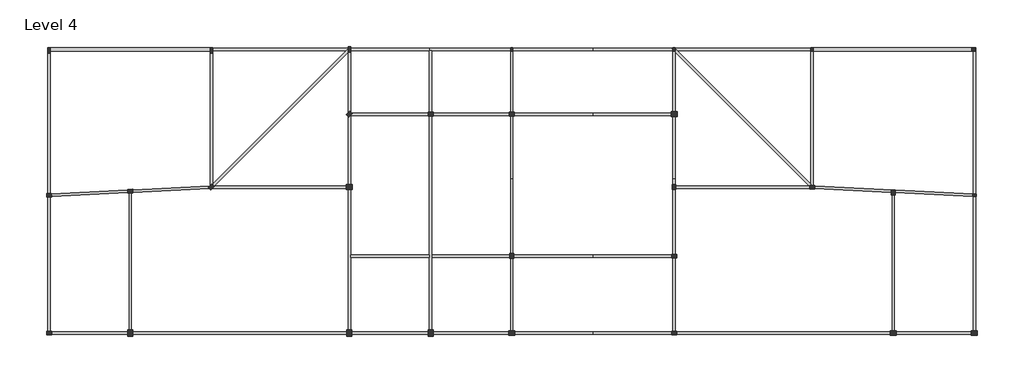
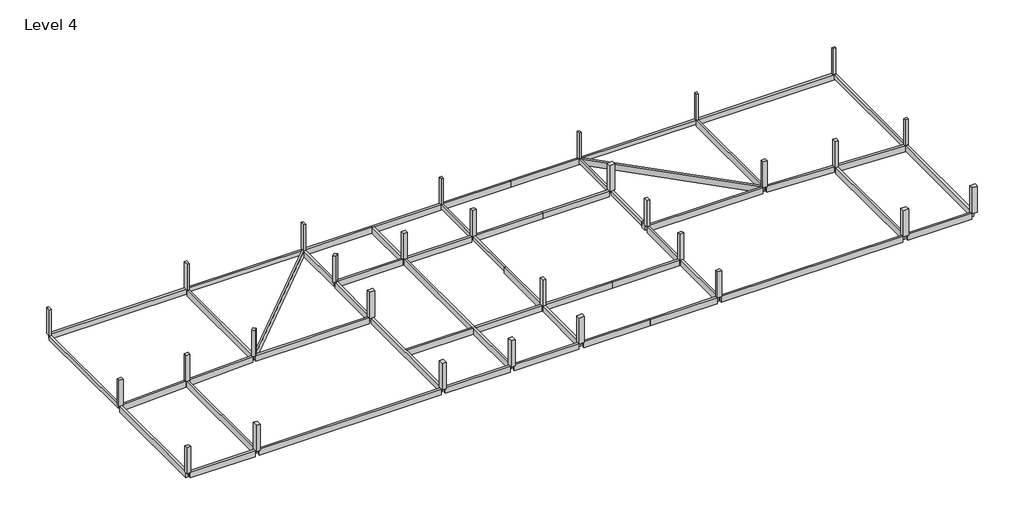
# One storey: 42 beams, 29 columns.
"""IFC4 building model written with IfcOpenShell, lengths in millimetres."""

from ifc_helpers import new_model, si_unit, frame, origin, place, context, project, spatial, polyline, outline, extrude, faceted_brep, element, save

model = new_model("IFC4")

# Units and contexts
model_context = context("Model", 3, world=origin())
ifc_project = project(units=[si_unit("LENGTHUNIT", "METRE", prefix="MILLI")], contexts=[model_context])

# Site, building, storey
site = spatial("IfcSite", under=ifc_project)
building = spatial("IfcBuilding", under=site)
storey = spatial("IfcBuildingStorey", under=building, Name="Level 4", Elevation=10000.0)

# Beams
placement = place(None, origin())
element("IfcBeam", 1, ObjectType="M_Concrete-Rectangular Beam : 300 x 600mm", at=placement, inside=storey, context=model_context, shape_type="SweptSolid", body=[
    extrude(outline(polyline([(-15472.6221164, 9458.1174774), (-15172.6221164, 9458.1174774), (-15172.6221164, -7809.1014481), (-15472.6221164, -7824.1014481), (-15472.6221164, 9458.1174774)])), frame((0.0, 0.0, 9400.0), z_axis=(0.0, 0.0, 1.0), x_axis=(1.0, 0.0, 0.0)), (0.0, 0.0, 1.0), 600.0),
])
element("IfcBeam", 2, ObjectType="M_Concrete-Rectangular Beam : 300 x 600mm", at=placement, inside=storey, context=model_context, shape_type="SweptSolid", body=[
    extrude(outline(polyline([(4827.3778836, 9808.1174774), (4827.3778836, 10108.1174774), (21527.3778836, 10108.1174774), (21527.3778836, 10020.2495118), (21315.2458493, 9808.1174774), (4827.3778836, 9808.1174774)])), frame((0.0, 0.0, 9400.0), z_axis=(0.0, 0.0, 1.0), x_axis=(1.0, 0.0, 0.0)), (0.0, 0.0, 1.0), 600.0),
])
element("IfcBeam", 3, ObjectType="M_Concrete-Rectangular Beam : 300 x 600mm", at=placement, inside=storey, context=model_context, shape_type="SweptSolid", body=[
    extrude(outline(polyline([(41827.3778836, -6041.8825226), (41527.3778836, -6041.8825226), (41527.3778836, 1733.1174774), (41827.3778836, 1733.1174774), (41827.3778836, -6041.8825226)])), frame((0.0, 0.0, 9400.0), z_axis=(0.0, 0.0, 1.0), x_axis=(1.0, 0.0, 0.0)), (0.0, 0.0, 1.0), 600.0),
    extrude(outline(polyline([(41527.3778836, 9733.1174774), (41827.3778836, 9733.1174774), (41827.3778836, 2183.1174774), (41527.3778836, 2183.1174774), (41527.3778836, 9733.1174774)])), frame((0.0, 0.0, 9400.0), z_axis=(0.0, 0.0, 1.0), x_axis=(1.0, 0.0, 0.0)), (0.0, 0.0, 1.0), 600.0),
])
element("IfcBeam", 4, ObjectType="M_Concrete-Rectangular Beam : 300 x 600mm", at=placement, inside=storey, context=model_context, shape_type="SweptSolid", body=[
    extrude(outline(polyline([(98527.3778836, 9758.1174774), (98827.3778836, 9758.1174774), (98827.3778836, -7891.8825226), (98681.1255428, -7891.8825226), (98527.3778836, -7884.1951396), (98527.3778836, 9758.1174774)])), frame((0.0, 0.0, 9400.0), z_axis=(0.0, 0.0, 1.0), x_axis=(1.0, 0.0, 0.0)), (0.0, 0.0, 1.0), 600.0),
])
element("IfcBeam", 5, ObjectType="M_Concrete-Rectangular Beam : 300 x 600mm", at=placement, inside=storey, context=model_context, shape_type="SweptSolid", body=[
    extrude(outline(polyline([(78527.3778836, 10108.1174774), (78527.3778836, 9808.1174774), (62039.509918, 9808.1174774), (61827.3778836, 10020.2495118), (61827.3778836, 10108.1174774), (78527.3778836, 10108.1174774)])), frame((0.0, 0.0, 9400.0), z_axis=(0.0, 0.0, 1.0), x_axis=(1.0, 0.0, 0.0)), (0.0, 0.0, 1.0), 600.0),
])
element("IfcBeam", 6, ObjectType="M_Concrete-Rectangular Beam : 300 x 600mm", at=placement, inside=storey, context=model_context, shape_type="SweptSolid", body=[
    extrude(outline(polyline([(61827.3778836, -6041.8825226), (61527.3778836, -6041.8825226), (61527.3778836, 1658.1174774), (61827.3778836, 1658.1174774), (61827.3778836, -6041.8825226)])), frame((0.0, 0.0, 9400.0), z_axis=(0.0, 0.0, 1.0), x_axis=(1.0, 0.0, 0.0)), (0.0, 0.0, 1.0), 600.0),
    extrude(outline(polyline([(61690.2458493, 9733.1174774), (61827.3778836, 9595.9854431), (61827.3778836, 2258.1174774), (61527.3778836, 2258.1174774), (61527.3778836, 9733.1174774), (61690.2458493, 9733.1174774)])), frame((0.0, 0.0, 9400.0), z_axis=(0.0, 0.0, 1.0), x_axis=(1.0, 0.0, 0.0)), (0.0, 0.0, 1.0), 600.0),
])
element("IfcBeam", 7, ObjectType="M_Concrete-Rectangular Beam : 300 x 900mm", at=placement, inside=storey, context=model_context, shape_type="Brep", body=[
    faceted_brep([(4827.3778836, 9458.1174774, 10000.0), (4527.3778836, 9458.1174774, 10000.0), (4527.3778836, -6873.684471, 10000.0), (4730.4108922, -6670.6514625, 10000.0), (4827.3778836, -6767.6184539, 10000.0), (4827.3778836, -6679.7504882, 10000.0), (4527.3778836, 9458.1174774, 9100.0), (4527.3778836, -6873.684471, 9100.0), (4827.3778836, 9458.1174774, 9100.0), (4827.3778836, -6679.7504882, 9100.0), (4827.3778836, -6767.6184539, 9100.0), (4730.4108922, -6670.6514625, 9100.0)], [[[0, 1, 2, 3, 4, 5]], [[1, 6, 7, 2]], [[6, 8, 9, 10, 11, 7]], [[8, 0, 5, 4, 10, 9]], [[1, 0, 8, 6]], [[11, 3, 2, 7]], [[3, 11, 10, 4]]]),
])
element("IfcBeam", 8, ObjectType="M_Concrete-Rectangular Beam : 300 x 900mm", at=placement, inside=storey, context=model_context, shape_type="Brep", body=[
    faceted_brep([(21527.3778836, 10020.2495118, 10000.0), (21315.2458493, 9808.1174774, 10000.0), (4827.3778836, -6679.7504882, 10000.0), (4827.3778836, -6767.6184539, 10000.0), (4995.5759351, -6935.8165054, 10000.0), (5039.509918, -6891.8825226, 10000.0), (21527.3778836, 9595.9854431, 10000.0), (21539.509918, 9608.1174774, 10000.0), (21527.3778836, 9608.1174774, 10000.0), (21539.509918, 9608.1174774, 9100.0), (4995.5759351, -6935.8165054, 9100.0), (5039.509918, -6891.8825226, 9100.0), (21527.3778836, 9595.9854431, 9100.0), (4827.3778836, -6679.7504882, 9100.0), (21527.3778836, 10020.2495118, 9100.0), (21527.3778836, 9608.1174774, 9100.0), (4827.3778836, -6767.6184539, 9100.0), (21527.3778836, 10020.2495118, 9400.0)], [[[0, 1, 2, 3, 4, 5, 6, 7, 8]], [[9, 7, 6, 5, 4, 10, 11, 12]], [[13, 14, 15, 9, 12, 11, 10, 16]], [[13, 2, 1, 0, 17, 14]], [[2, 13, 16, 3]], [[15, 8, 7, 9]], [[8, 15, 14, 17, 0]], [[4, 3, 16, 10]]]),
])
element("IfcBeam", 9, ObjectType="M_Concrete-Rectangular Beam : 300 x 900mm", at=placement, inside=storey, context=model_context, shape_type="SweptSolid", body=[
    extrude(outline(polyline([(4306.1468235, -7094.9155312), (4416.3524686, -7205.1211763), (-5015.5057722, -7676.7140883), (-5030.4870573, -7377.0883867), (4500.5245483, -6900.5378064), (4306.1468235, -7094.9155312)])), frame((0.0, 0.0, 9100.0), z_axis=(0.0, 0.0, 1.0), x_axis=(1.0, 0.0, 0.0)), (0.0, 0.0, 1.0), 900.0),
    extrude(outline(polyline([(-5629.7384606, -7407.0509568), (-5614.7571755, -7706.6766585), (-15015.5057722, -8176.7140883), (-15030.4870573, -7877.0883867), (-5629.7384606, -7407.0509568)])), frame((0.0, 0.0, 9100.0), z_axis=(0.0, 0.0, 1.0), x_axis=(1.0, 0.0, 0.0)), (0.0, 0.0, 1.0), 900.0),
])
element("IfcBeam", 10, ObjectType="M_Concrete-Rectangular Beam : 300 x 900mm", at=placement, inside=storey, context=model_context, shape_type="SweptSolid", body=[
    extrude(outline(polyline([(-15472.6221164, -8274.663597), (-15172.6221164, -8259.663597), (-15172.6221164, -24816.8825226), (-15472.6221164, -24816.8825226), (-15472.6221164, -8274.663597)])), frame((0.0, 0.0, 9100.0), z_axis=(0.0, 0.0, 1.0), x_axis=(1.0, 0.0, 0.0)), (0.0, 0.0, 1.0), 900.0),
])
element("IfcBeam", 11, ObjectType="M_Concrete-Rectangular Beam : 300 x 900mm", at=placement, inside=storey, context=model_context, shape_type="SweptSolid", body=[
    extrude(outline(polyline([(-5022.6221164, -25191.8825226), (-5022.6221164, -24891.8825226), (21377.3778836, -24891.8825226), (21377.3778836, -25191.8825226), (-5022.6221164, -25191.8825226)])), frame((0.0, 0.0, 9100.0), z_axis=(0.0, 0.0, 1.0), x_axis=(1.0, 0.0, 0.0)), (0.0, 0.0, 1.0), 900.0),
    extrude(outline(polyline([(-15022.6221164, -25191.8825226), (-15022.6221164, -24891.8825226), (-5622.6221164, -24891.8825226), (-5622.6221164, -25191.8825226), (-15022.6221164, -25191.8825226)])), frame((0.0, 0.0, 9100.0), z_axis=(0.0, 0.0, 1.0), x_axis=(1.0, 0.0, 0.0)), (0.0, 0.0, 1.0), 900.0),
])
element("IfcBeam", 12, ObjectType="M_Concrete-Rectangular Beam : 300 x 900mm", at=placement, inside=storey, context=model_context, shape_type="Brep", body=[
    faceted_brep([(21527.3778836, -24666.8825226, 10000.0), (21827.3778836, -24666.8825226, 10000.0), (21827.3778836, -15691.8825226, 10000.0), (21827.3778836, -15391.8825226, 10000.0), (21827.3778836, -7341.8825226, 10000.0), (21527.3778836, -7341.8825226, 10000.0), (21527.3778836, -24666.8825226, 9100.0), (21527.3778836, -7341.8825226, 9100.0), (21827.3778836, -24666.8825226, 9100.0), (21827.3778836, -7341.8825226, 9100.0), (21827.3778836, -15391.8825226, 9100.0), (21827.3778836, -15691.8825226, 9100.0)], [[[0, 1, 2, 3, 4, 5]], [[6, 0, 5, 7]], [[8, 6, 7, 9, 10, 11]], [[1, 8, 11, 10, 9, 4, 3, 2]], [[1, 0, 6, 8]], [[5, 4, 9, 7]]]),
    faceted_brep([(21527.3778836, 9595.9854431, 9100.0), (21527.3778836, 9595.9854431, 10000.0), (21539.509918, 9608.1174774, 10000.0), (21539.509918, 9608.1174774, 9100.0), (21827.3778836, 9608.1174774, 10000.0), (21827.3778836, 9608.1174774, 9100.0), (21730.4108922, 2329.3485375, 9100.0), (21730.4108922, 2329.3485375, 10000.0), (21527.3778836, 2126.315529, 10000.0), (21527.3778836, 2126.315529, 9100.0), (21827.3778836, 2232.3815461, 9100.0), (21827.3778836, 2232.3815461, 10000.0)], [[[0, 1, 2, 3]], [[2, 4, 5, 3]], [[6, 7, 8, 9]], [[7, 6, 10, 11]], [[2, 1, 8, 7, 11, 4]], [[1, 0, 9, 8]], [[0, 3, 5, 10, 6, 9]], [[5, 4, 11, 10]]]),
    faceted_brep([(21624.344875, 1586.8864173, 9100.0), (21624.344875, 1586.8864173, 10000.0), (21827.3778836, 1789.9194259, 10000.0), (21827.3778836, 1789.9194259, 9100.0), (21527.3778836, 1683.8534087, 9100.0), (21527.3778836, 1683.8534087, 10000.0), (21827.3778836, -6741.8825226, 10000.0), (21527.3778836, -6741.8825226, 10000.0), (21527.3778836, -6741.8825226, 9100.0), (21827.3778836, -6741.8825226, 9100.0)], [[[0, 1, 2, 3]], [[1, 0, 4, 5]], [[6, 7, 8, 9]], [[2, 1, 5, 7, 6]], [[5, 4, 8, 7]], [[0, 3, 9, 8, 4]], [[3, 2, 6, 9]]]),
])
element("IfcBeam", 13, ObjectType="M_Concrete-Rectangular Beam : 300 x 900mm", at=placement, inside=storey, context=model_context, shape_type="SweptSolid", body=[
    extrude(outline(polyline([(-5472.6221164, -7774.663597), (-5172.6221164, -7759.663597), (-5172.6221164, -24666.8825226), (-5472.6221164, -24666.8825226), (-5472.6221164, -7774.663597)])), frame((0.0, 0.0, 9100.0), z_axis=(0.0, 0.0, 1.0), x_axis=(1.0, 0.0, 0.0)), (0.0, 0.0, 1.0), 900.0),
])
element("IfcBeam", 14, ObjectType="M_Concrete-Rectangular Beam : 300 x 900mm", at=placement, inside=storey, context=model_context, shape_type="SweptSolid", body=[
    extrude(outline(polyline([(4995.5759351, -6935.8165054), (5039.509918, -6891.8825226), (21302.3778836, -6891.8825226), (21302.3778836, -7191.8825226), (4845.5759351, -7191.8825226), (5048.6089437, -6988.849514), (4995.5759351, -6935.8165054)])), frame((0.0, 0.0, 9100.0), z_axis=(0.0, 0.0, 1.0), x_axis=(1.0, 0.0, 0.0)), (0.0, 0.0, 1.0), 900.0),
])
element("IfcBeam", 15, ObjectType="M_Concrete-Rectangular Beam : 300 x 900mm", at=placement, inside=storey, context=model_context, shape_type="Brep", body=[
    faceted_brep([(31527.3778836, 10108.1174774, 10000.0), (31527.3778836, 9808.1174774, 10000.0), (31827.3778836, 9808.1174774, 10000.0), (41527.3778836, 9808.1174774, 10000.0), (41527.3778836, 10108.1174774, 10000.0), (31527.3778836, 9808.1174774, 9100.0), (31827.3778836, 9808.1174774, 9100.0), (41527.3778836, 9808.1174774, 9100.0), (31527.3778836, 10108.1174774, 9100.0), (41527.3778836, 10108.1174774, 9100.0)], [[[0, 1, 2, 3, 4]], [[1, 5, 6, 7, 3, 2]], [[5, 8, 9, 7, 6]], [[8, 0, 4, 9]], [[1, 0, 8, 5]], [[4, 3, 7, 9]]]),
])
element("IfcBeam", 16, ObjectType="M_Concrete-Rectangular Beam : 300 x 900mm", at=placement, inside=storey, context=model_context, shape_type="Brep", body=[
    faceted_brep([(41827.3778836, -15841.8825226, 10000.0), (41527.3778836, -15841.8825226, 10000.0), (41527.3778836, -24741.8825226, 10000.0), (41827.3778836, -24741.8825226, 10000.0), (41827.3778836, -15841.8825226, 9100.0), (41827.3778836, -24741.8825226, 9100.0), (41527.3778836, -15841.8825226, 9100.0), (41527.3778836, -24741.8825226, 9100.0)], [[[0, 1, 2, 3]], [[4, 0, 3, 5]], [[6, 4, 5, 7]], [[1, 6, 7, 2]], [[1, 0, 4, 6]], [[3, 2, 7, 5]]]),
    faceted_brep([(41527.3778836, -6041.8825226, 9100.0), (41527.3778836, -6041.8825226, 9400.0), (41527.3778836, -6041.8825226, 10000.0), (41827.3778836, -6041.8825226, 10000.0), (41827.3778836, -6041.8825226, 9400.0), (41827.3778836, -6041.8825226, 9100.0), (41827.3778836, -15241.8825226, 10000.0), (41527.3778836, -15241.8825226, 10000.0), (41527.3778836, -15241.8825226, 9100.0), (41827.3778836, -15241.8825226, 9100.0)], [[[0, 1, 2, 3, 4, 5]], [[6, 7, 8, 9]], [[3, 2, 7, 6]], [[5, 4, 3, 6, 9]], [[0, 5, 9, 8]], [[2, 1, 0, 8, 7]]]),
])
element("IfcBeam", 17, ObjectType="M_Concrete-Rectangular Beam : 300 x 900mm", at=placement, inside=storey, context=model_context, shape_type="Brep", body=[
    faceted_brep([(31827.3778836, 1733.1174774, 10000.0), (31527.3778836, 1733.1174774, 10000.0), (31527.3778836, -15391.8825226, 10000.0), (31527.3778836, -15691.8825226, 10000.0), (31527.3778836, -24666.8825226, 10000.0), (31827.3778836, -24666.8825226, 10000.0), (31827.3778836, -15691.8825226, 10000.0), (31827.3778836, -15391.8825226, 10000.0), (31827.3778836, 1733.1174774, 9100.0), (31827.3778836, -24666.8825226, 9100.0), (31827.3778836, -15691.8825226, 9100.0), (31827.3778836, -15391.8825226, 9100.0), (31527.3778836, 1733.1174774, 9100.0), (31527.3778836, -24666.8825226, 9100.0), (31527.3778836, -15691.8825226, 9100.0), (31527.3778836, -15391.8825226, 9100.0)], [[[0, 1, 2, 3, 4, 5, 6, 7]], [[8, 0, 7, 6, 5, 9, 10, 11]], [[12, 8, 11, 10, 9, 13, 14, 15]], [[1, 12, 15, 14, 13, 4, 3, 2]], [[1, 0, 8, 12]], [[5, 4, 13, 9]]]),
    faceted_brep([(31527.3778836, 9808.1174774, 10000.0), (31827.3778836, 9808.1174774, 10000.0), (31827.3778836, 9808.1174774, 9100.0), (31527.3778836, 9808.1174774, 9100.0), (31827.3778836, 2183.1174774, 10000.0), (31527.3778836, 2183.1174774, 10000.0), (31527.3778836, 2183.1174774, 9100.0), (31827.3778836, 2183.1174774, 9100.0)], [[[0, 1, 2, 3]], [[4, 5, 6, 7]], [[1, 0, 5, 4]], [[2, 1, 4, 7]], [[3, 2, 7, 6]], [[0, 3, 6, 5]]]),
])
element("IfcBeam", 18, ObjectType="M_Concrete-Rectangular Beam : 300 x 900mm", at=placement, inside=storey, context=model_context, shape_type="SweptSolid", body=[
    extrude(outline(polyline([(31977.3778836, -25191.8825226), (31977.3778836, -24891.8825226), (41302.3778836, -24891.8825226), (41302.3778836, -25191.8825226), (31977.3778836, -25191.8825226)])), frame((0.0, 0.0, 9100.0), z_axis=(0.0, 0.0, 1.0), x_axis=(1.0, 0.0, 0.0)), (0.0, 0.0, 1.0), 900.0),
])
element("IfcBeam", 19, ObjectType="M_Concrete-Rectangular Beam : 300 x 900mm", at=placement, inside=storey, context=model_context, shape_type="SweptSolid", body=[
    extrude(outline(polyline([(31827.3778836, -15691.8825226), (31827.3778836, -15391.8825226), (41452.3778836, -15391.8825226), (41452.3778836, -15691.8825226), (31827.3778836, -15691.8825226)])), frame((0.0, 0.0, 9100.0), z_axis=(0.0, 0.0, 1.0), x_axis=(1.0, 0.0, 0.0)), (0.0, 0.0, 1.0), 900.0),
])
element("IfcBeam", 20, ObjectType="M_Concrete-Rectangular Beam : 300 x 900mm", at=placement, inside=storey, context=model_context, shape_type="SweptSolid", body=[
    extrude(outline(polyline([(41377.3778836, 2108.1174774), (41377.3778836, 1808.1174774), (31977.3778836, 1808.1174774), (31977.3778836, 2108.1174774), (41377.3778836, 2108.1174774)])), frame((0.0, 0.0, 9100.0), z_axis=(0.0, 0.0, 1.0), x_axis=(1.0, 0.0, 0.0)), (0.0, 0.0, 1.0), 900.0),
])
element("IfcBeam", 21, ObjectType="M_Concrete-Rectangular Beam : 300 x 900mm", at=placement, inside=storey, context=model_context, shape_type="SweptSolid", body=[
    extrude(outline(polyline([(31527.3778836, 10108.1174774), (31527.3778836, 9808.1174774), (21827.3778836, 9808.1174774), (21827.3778836, 10108.1174774), (31527.3778836, 10108.1174774)])), frame((0.0, 0.0, 9100.0), z_axis=(0.0, 0.0, 1.0), x_axis=(1.0, 0.0, 0.0)), (0.0, 0.0, 1.0), 900.0),
])
element("IfcBeam", 22, ObjectType="M_Concrete-Rectangular Beam : 300 x 900mm", at=placement, inside=storey, context=model_context, shape_type="SweptSolid", body=[
    extrude(outline(polyline([(21977.3778836, -25191.8825226), (21977.3778836, -24891.8825226), (31377.3778836, -24891.8825226), (31377.3778836, -25191.8825226), (21977.3778836, -25191.8825226)])), frame((0.0, 0.0, 9100.0), z_axis=(0.0, 0.0, 1.0), x_axis=(1.0, 0.0, 0.0)), (0.0, 0.0, 1.0), 900.0),
])
element("IfcBeam", 23, ObjectType="M_Concrete-Rectangular Beam : 300 x 900mm", at=placement, inside=storey, context=model_context, shape_type="SweptSolid", body=[
    extrude(outline(polyline([(31527.3778836, -15391.8825226), (31527.3778836, -15691.8825226), (21827.3778836, -15691.8825226), (21827.3778836, -15391.8825226), (31527.3778836, -15391.8825226)])), frame((0.0, 0.0, 9100.0), z_axis=(0.0, 0.0, 1.0), x_axis=(1.0, 0.0, 0.0)), (0.0, 0.0, 1.0), 900.0),
])
element("IfcBeam", 24, ObjectType="M_Concrete-Rectangular Beam : 300 x 900mm", at=placement, inside=storey, context=model_context, shape_type="SweptSolid", body=[
    extrude(outline(polyline([(31377.3778836, 2108.1174774), (31377.3778836, 1808.1174774), (21845.5759351, 1808.1174774), (22048.6089437, 2011.150486), (21951.6419523, 2108.1174774), (31377.3778836, 2108.1174774)])), frame((0.0, 0.0, 9100.0), z_axis=(0.0, 0.0, 1.0), x_axis=(1.0, 0.0, 0.0)), (0.0, 0.0, 1.0), 900.0),
])
element("IfcBeam", 25, ObjectType="M_Concrete-Rectangular Beam : 300 x 900mm", at=placement, inside=storey, context=model_context, shape_type="Brep", body=[
    faceted_brep([(78827.3778836, 9733.1174774, 10000.0), (78527.3778836, 9733.1174774, 10000.0), (78527.3778836, -6679.7504882, 10000.0), (78527.3778836, -6816.8825226, 10000.0), (78827.3778836, -6816.8825226, 10000.0), (78827.3778836, 9733.1174774, 9100.0), (78827.3778836, -6816.8825226, 9100.0), (78527.3778836, 9733.1174774, 9100.0), (78527.3778836, -6816.8825226, 9100.0), (78527.3778836, -6679.7504882, 9100.0)], [[[0, 1, 2, 3, 4]], [[5, 0, 4, 6]], [[7, 5, 6, 8, 9]], [[1, 7, 9, 8, 3, 2]], [[1, 0, 5, 7]], [[4, 3, 8, 6]]]),
])
element("IfcBeam", 26, ObjectType="M_Concrete-Rectangular Beam : 300 x 900mm", at=placement, inside=storey, context=model_context, shape_type="Brep", body=[
    faceted_brep([(61527.3778836, 10108.1174774, 10000.0), (61315.2458493, 10108.1174774, 10000.0), (61527.3778836, 9895.9854431, 10000.0), (61315.2458493, 10108.1174774, 9100.0), (61527.3778836, 9895.9854431, 9100.0), (61527.3778836, 10108.1174774, 9100.0)], [[[0, 1, 2]], [[1, 3, 4, 2]], [[3, 5, 4]], [[3, 1, 0, 5]], [[0, 2, 4, 5]]]),
    faceted_brep([(78527.3778836, -6679.7504882, 10000.0), (78527.3778836, -6679.7504882, 9100.0), (61827.3778836, 10020.2495118, 9100.0), (61827.3778836, 10020.2495118, 9400.0), (61827.3778836, 10020.2495118, 10000.0), (62039.509918, 9808.1174774, 10000.0), (78527.3778836, -6816.8825226, 10000.0), (78527.3778836, -6816.8825226, 9100.0), (61827.3778836, 9733.1174774, 9100.0), (61827.3778836, 9733.1174774, 10000.0), (61690.2458493, 9733.1174774, 9100.0), (61690.2458493, 9733.1174774, 9400.0), (61690.2458493, 9733.1174774, 10000.0), (61827.3778836, 9595.9854431, 10000.0), (78315.2458493, -6891.8825226, 10000.0), (78377.3778836, -6954.0145569, 10000.0), (78377.3778836, -6816.8825226, 10000.0), (78315.2458493, -6891.8825226, 9100.0), (78377.3778836, -6954.0145569, 9100.0), (78377.3778836, -6816.8825226, 9100.0)], [[[0, 1, 2, 3, 4, 5]], [[1, 0, 6, 7]], [[8, 9, 4, 3, 2]], [[9, 8, 10, 11, 12]], [[0, 5, 4, 9, 12, 13, 14, 15, 16, 6]], [[12, 11, 10, 17, 18, 15, 14, 13]], [[2, 1, 7, 19, 18, 17, 10, 8]], [[16, 19, 7, 6]], [[19, 16, 15, 18]]]),
])
element("IfcBeam", 27, ObjectType="M_Concrete-Rectangular Beam : 300 x 900mm", at=placement, inside=storey, context=model_context, shape_type="Brep", body=[
    faceted_brep([(88452.3778836, -7680.8199055, 10000.0), (88452.3778836, -7392.0699055, 10000.0), (88684.873202, -7392.0699055, 10000.0), (78977.3778836, -6906.6951396, 10000.0), (78977.3778836, -7207.0699055, 10000.0), (88452.3778836, -7680.8199055, 9100.0), (78977.3778836, -7207.0699055, 9100.0), (88452.3778836, -7392.0699055, 9100.0), (78977.3778836, -6906.6951396, 9100.0), (88684.873202, -7392.0699055, 9100.0)], [[[0, 1, 2, 3, 4]], [[5, 0, 4, 6]], [[7, 5, 6, 8, 9]], [[2, 9, 8, 3]], [[7, 1, 0, 5]], [[1, 7, 9, 2]], [[4, 3, 8, 6]]]),
    faceted_brep([(98827.3778836, -8199.5699055, 10000.0), (98827.3778836, -8199.5699055, 9100.0), (98827.3778836, -8191.8825226, 9100.0), (98827.3778836, -8191.8825226, 10000.0), (98673.6302244, -8191.8825226, 10000.0), (98673.6302244, -8191.8825226, 9100.0)], [[[0, 1, 2, 3]], [[4, 3, 2, 5]], [[0, 3, 4]], [[1, 0, 4, 5]], [[2, 1, 5]]]),
    faceted_brep([(98452.3778836, -7891.8825226, 10000.0), (98452.3778836, -7891.8825226, 9100.0), (98681.1255428, -7891.8825226, 9100.0), (98681.1255428, -7891.8825226, 9400.0), (98681.1255428, -7891.8825226, 10000.0), (98452.3778836, -8180.8199055, 10000.0), (98452.3778836, -8180.8199055, 9100.0), (88902.3778836, -7703.3199055, 10000.0), (88902.3778836, -7402.9451396, 10000.0), (88902.3778836, -7402.9451396, 9100.0), (88902.3778836, -7703.3199055, 9100.0), (98527.3778836, -7884.1951396, 10000.0)], [[[0, 1, 2, 3, 4]], [[1, 0, 5, 6]], [[7, 8, 9, 10]], [[0, 4, 11, 8, 7, 5]], [[6, 5, 7, 10]], [[2, 1, 6, 10, 9]], [[4, 3, 2, 9, 8, 11]]]),
])
element("IfcBeam", 28, ObjectType="M_Concrete-Rectangular Beam : 300 x 900mm", at=placement, inside=storey, context=model_context, shape_type="SweptSolid", body=[
    extrude(outline(polyline([(98673.6302244, -8191.8825226), (98827.3778836, -8199.5699055), (98827.3778836, -24741.8825226), (98527.3778836, -24741.8825226), (98527.3778836, -8191.8825226), (98673.6302244, -8191.8825226)])), frame((0.0, 0.0, 9100.0), z_axis=(0.0, 0.0, 1.0), x_axis=(1.0, 0.0, 0.0)), (0.0, 0.0, 1.0), 900.0),
])
element("IfcBeam", 29, ObjectType="M_Concrete-Rectangular Beam : 300 x 900mm", at=placement, inside=storey, context=model_context, shape_type="SweptSolid", body=[
    extrude(outline(polyline([(61977.3778836, -25191.8825226), (61977.3778836, -24891.8825226), (88302.3778836, -24891.8825226), (88302.3778836, -25191.8825226), (61977.3778836, -25191.8825226)])), frame((0.0, 0.0, 9100.0), z_axis=(0.0, 0.0, 1.0), x_axis=(1.0, 0.0, 0.0)), (0.0, 0.0, 1.0), 900.0),
    extrude(outline(polyline([(89052.3778836, -25191.8825226), (89052.3778836, -24891.8825226), (98302.3778836, -24891.8825226), (98302.3778836, -25191.8825226), (89052.3778836, -25191.8825226)])), frame((0.0, 0.0, 9100.0), z_axis=(0.0, 0.0, 1.0), x_axis=(1.0, 0.0, 0.0)), (0.0, 0.0, 1.0), 900.0),
])
element("IfcBeam", 30, ObjectType="M_Concrete-Rectangular Beam : 300 x 900mm", at=placement, inside=storey, context=model_context, shape_type="Brep", body=[
    faceted_brep([(61827.3778836, -15766.8825226, 10000.0), (61527.3778836, -15766.8825226, 10000.0), (61527.3778836, -24816.8825226, 10000.0), (61827.3778836, -24816.8825226, 10000.0), (61827.3778836, -15766.8825226, 9100.0), (61827.3778836, -24816.8825226, 9100.0), (61527.3778836, -15766.8825226, 9100.0), (61527.3778836, -24816.8825226, 9100.0)], [[[0, 1, 2, 3]], [[4, 0, 3, 5]], [[6, 4, 5, 7]], [[1, 6, 7, 2]], [[1, 0, 4, 6]], [[3, 2, 7, 5]]]),
    faceted_brep([(61527.3778836, -6041.8825226, 9100.0), (61527.3778836, -6041.8825226, 9400.0), (61527.3778836, -6041.8825226, 10000.0), (61827.3778836, -6041.8825226, 10000.0), (61827.3778836, -6041.8825226, 9400.0), (61827.3778836, -6041.8825226, 9100.0), (61827.3778836, -6741.8825226, 10000.0), (61527.3778836, -6741.8825226, 10000.0), (61527.3778836, -6741.8825226, 9100.0), (61827.3778836, -6741.8825226, 9100.0)], [[[0, 1, 2, 3, 4, 5]], [[6, 7, 8, 9]], [[3, 2, 7, 6]], [[5, 4, 3, 6, 9]], [[0, 5, 9, 8]], [[2, 1, 0, 8, 7]]]),
    faceted_brep([(61527.3778836, -7341.8825226, 10000.0), (61827.3778836, -7341.8825226, 10000.0), (61827.3778836, -7341.8825226, 9100.0), (61527.3778836, -7341.8825226, 9100.0), (61827.3778836, -15316.8825226, 10000.0), (61527.3778836, -15316.8825226, 10000.0), (61527.3778836, -15316.8825226, 9100.0), (61827.3778836, -15316.8825226, 9100.0)], [[[0, 1, 2, 3]], [[4, 5, 6, 7]], [[1, 0, 5, 4]], [[2, 1, 4, 7]], [[3, 2, 7, 6]], [[0, 3, 6, 5]]]),
])
element("IfcBeam", 31, ObjectType="M_Concrete-Rectangular Beam : 300 x 900mm", at=placement, inside=storey, context=model_context, shape_type="SweptSolid", body=[
    extrude(outline(polyline([(88527.3778836, -7992.0699055), (88827.3778836, -7992.0699055), (88827.3778836, -24741.8825226), (88527.3778836, -24741.8825226), (88527.3778836, -7992.0699055)])), frame((0.0, 0.0, 9100.0), z_axis=(0.0, 0.0, 1.0), x_axis=(1.0, 0.0, 0.0)), (0.0, 0.0, 1.0), 900.0),
])
element("IfcBeam", 32, ObjectType="M_Concrete-Rectangular Beam : 300 x 900mm", at=placement, inside=storey, context=model_context, shape_type="SweptSolid", body=[
    extrude(outline(polyline([(78315.2458493, -6891.8825226), (78377.3778836, -6954.0145569), (78377.3778836, -7191.8825226), (61902.3778836, -7191.8825226), (61902.3778836, -6891.8825226), (78315.2458493, -6891.8825226)])), frame((0.0, 0.0, 9100.0), z_axis=(0.0, 0.0, 1.0), x_axis=(1.0, 0.0, 0.0)), (0.0, 0.0, 1.0), 900.0),
])
element("IfcBeam", 33, ObjectType="M_Concrete-Rectangular Beam : 300 x 900mm", at=placement, inside=storey, context=model_context, shape_type="SweptSolid", body=[
    extrude(outline(polyline([(51677.3778836, 10108.1174774), (51677.3778836, 9808.1174774), (41827.3778836, 9808.1174774), (41827.3778836, 10108.1174774), (51677.3778836, 10108.1174774)])), frame((0.0, 0.0, 9100.0), z_axis=(0.0, 0.0, 1.0), x_axis=(1.0, 0.0, 0.0)), (0.0, 0.0, 1.0), 900.0),
])
element("IfcBeam", 34, ObjectType="M_Concrete-Rectangular Beam : 300 x 900mm", at=placement, inside=storey, context=model_context, shape_type="SweptSolid", body=[
    extrude(outline(polyline([(51677.3778836, -24891.8825226), (51677.3778836, -25191.8825226), (42052.3778836, -25191.8825226), (42052.3778836, -24891.8825226), (51677.3778836, -24891.8825226)])), frame((0.0, 0.0, 9100.0), z_axis=(0.0, 0.0, 1.0), x_axis=(1.0, 0.0, 0.0)), (0.0, 0.0, 1.0), 900.0),
])
element("IfcBeam", 35, ObjectType="M_Concrete-Rectangular Beam : 300 x 900mm", at=placement, inside=storey, context=model_context, shape_type="SweptSolid", body=[
    extrude(outline(polyline([(51677.3778836, -15391.8825226), (51677.3778836, -15691.8825226), (41902.3778836, -15691.8825226), (41902.3778836, -15391.8825226), (51677.3778836, -15391.8825226)])), frame((0.0, 0.0, 9100.0), z_axis=(0.0, 0.0, 1.0), x_axis=(1.0, 0.0, 0.0)), (0.0, 0.0, 1.0), 900.0),
])
element("IfcBeam", 36, ObjectType="M_Concrete-Rectangular Beam : 300 x 900mm", at=placement, inside=storey, context=model_context, shape_type="SweptSolid", body=[
    extrude(outline(polyline([(51677.3778836, 2108.1174774), (51677.3778836, 1808.1174774), (41977.3778836, 1808.1174774), (41977.3778836, 2108.1174774), (51677.3778836, 2108.1174774)])), frame((0.0, 0.0, 9100.0), z_axis=(0.0, 0.0, 1.0), x_axis=(1.0, 0.0, 0.0)), (0.0, 0.0, 1.0), 900.0),
])
element("IfcBeam", 37, ObjectType="M_Concrete-Rectangular Beam : 300 x 900mm", at=placement, inside=storey, context=model_context, shape_type="SweptSolid", body=[
    extrude(outline(polyline([(51677.3778836, 9808.1174774), (51677.3778836, 10108.1174774), (61315.2458493, 10108.1174774), (61527.3778836, 9895.9854431), (61527.3778836, 9808.1174774), (51677.3778836, 9808.1174774)])), frame((0.0, 0.0, 9100.0), z_axis=(0.0, 0.0, 1.0), x_axis=(1.0, 0.0, 0.0)), (0.0, 0.0, 1.0), 900.0),
])
element("IfcBeam", 38, ObjectType="M_Concrete-Rectangular Beam : 300 x 900mm", at=placement, inside=storey, context=model_context, shape_type="SweptSolid", body=[
    extrude(outline(polyline([(51677.3778836, -25191.8825226), (51677.3778836, -24891.8825226), (61377.3778836, -24891.8825226), (61377.3778836, -25191.8825226), (51677.3778836, -25191.8825226)])), frame((0.0, 0.0, 9100.0), z_axis=(0.0, 0.0, 1.0), x_axis=(1.0, 0.0, 0.0)), (0.0, 0.0, 1.0), 900.0),
])
element("IfcBeam", 39, ObjectType="M_Concrete-Rectangular Beam : 300 x 900mm", at=placement, inside=storey, context=model_context, shape_type="SweptSolid", body=[
    extrude(outline(polyline([(51677.3778836, -15691.8825226), (51677.3778836, -15391.8825226), (61377.3778836, -15391.8825226), (61377.3778836, -15691.8825226), (51677.3778836, -15691.8825226)])), frame((0.0, 0.0, 9100.0), z_axis=(0.0, 0.0, 1.0), x_axis=(1.0, 0.0, 0.0)), (0.0, 0.0, 1.0), 900.0),
])
element("IfcBeam", 40, ObjectType="M_Concrete-Rectangular Beam : 300 x 900mm", at=placement, inside=storey, context=model_context, shape_type="SweptSolid", body=[
    extrude(outline(polyline([(51677.3778836, 1808.1174774), (51677.3778836, 2108.1174774), (61302.3778836, 2108.1174774), (61302.3778836, 1808.1174774), (51677.3778836, 1808.1174774)])), frame((0.0, 0.0, 9100.0), z_axis=(0.0, 0.0, 1.0), x_axis=(1.0, 0.0, 0.0)), (0.0, 0.0, 1.0), 900.0),
])
element("IfcBeam", 41, ObjectType="M_Concrete-Rectangular Beam : 400 x 800mm", at=placement, inside=storey, context=model_context, shape_type="SweptSolid", body=[
    extrude(outline(polyline([(4527.3778836, 10158.1174774), (4527.3778836, 9758.1174774), (-15172.6221164, 9758.1174774), (-15172.6221164, 10158.1174774), (4527.3778836, 10158.1174774)])), frame((0.0, 0.0, 9200.0), z_axis=(0.0, 0.0, 1.0), x_axis=(1.0, 0.0, 0.0)), (0.0, 0.0, 1.0), 800.0),
])
element("IfcBeam", 42, ObjectType="M_Concrete-Rectangular Beam : 400 x 800mm", at=placement, inside=storey, context=model_context, shape_type="Brep", body=[
    faceted_brep([(78827.3778836, 10158.1174774, 10000.0), (78827.3778836, 9758.1174774, 10000.0), (98527.3778836, 9758.1174774, 10000.0), (98827.3778836, 9758.1174774, 10000.0), (98827.3778836, 10158.1174774, 10000.0), (98352.3778836, 10108.1174774, 10000.0), (98802.3778836, 10108.1174774, 10000.0), (98802.3778836, 9808.1174774, 10000.0), (98352.3778836, 9808.1174774, 10000.0), (78827.3778836, 9758.1174774, 9200.0), (98827.3778836, 9758.1174774, 9200.0), (98827.3778836, 9758.1174774, 9400.0), (78827.3778836, 10158.1174774, 9200.0), (98827.3778836, 10158.1174774, 9200.0), (98802.3778836, 10108.1174774, 9200.0), (98352.3778836, 10108.1174774, 9200.0), (98352.3778836, 9808.1174774, 9200.0), (98802.3778836, 9808.1174774, 9200.0)], [[[0, 1, 2, 3, 4], [5, 6, 7, 8]], [[1, 9, 10, 11, 3, 2]], [[9, 12, 13, 10], [14, 15, 16, 17]], [[4, 13, 12, 0]], [[1, 0, 12, 9]], [[4, 3, 11, 10, 13]], [[14, 6, 5, 15]], [[6, 14, 17, 7]], [[7, 17, 16, 8]], [[8, 16, 15, 5]]]),
])

# Columns
element("IfcColumn", 43, ObjectType="M_Concrete-Rectangular-Column : 300 x 450mm", at=placement, inside=storey, context=model_context, shape_type="SweptSolid", body=[
    extrude(outline(polyline([(41827.3778836, 10183.1174774), (41827.3778836, 9733.1174774), (41527.3778836, 9733.1174774), (41527.3778836, 10183.1174774), (41827.3778836, 10183.1174774)])), frame((0.0, 0.0, 10000.0), z_axis=(0.0, 0.0, 1.0), x_axis=(1.0, 0.0, 0.0)), (0.0, 0.0, 1.0), 4000.0),
])
element("IfcColumn", 44, ObjectType="M_Concrete-Rectangular-Column : 300 x 450mm", at=placement, inside=storey, context=model_context, shape_type="SweptSolid", body=[
    extrude(outline(polyline([(61827.3778836, 10183.1174774), (61827.3778836, 9733.1174774), (61527.3778836, 9733.1174774), (61527.3778836, 10183.1174774), (61827.3778836, 10183.1174774)])), frame((0.0, 0.0, 10000.0), z_axis=(0.0, 0.0, 1.0), x_axis=(1.0, 0.0, 0.0)), (0.0, 0.0, 1.0), 4000.0),
])
element("IfcColumn", 45, ObjectType="M_Concrete-Rectangular-Column : 300 x 450mm", at=placement, inside=storey, context=model_context, shape_type="SweptSolid", body=[
    extrude(outline(polyline([(78827.3778836, 10183.1174774), (78827.3778836, 9733.1174774), (78527.3778836, 9733.1174774), (78527.3778836, 10183.1174774), (78827.3778836, 10183.1174774)])), frame((0.0, 0.0, 10000.0), z_axis=(0.0, 0.0, 1.0), x_axis=(1.0, 0.0, 0.0)), (0.0, 0.0, 1.0), 4000.0),
])
element("IfcColumn", 46, ObjectType="M_Concrete-Rectangular-Column : 300 x 450mm", at=placement, inside=storey, context=model_context, shape_type="SweptSolid", body=[
    extrude(outline(polyline([(98352.3778836, 10108.1174774), (98802.3778836, 10108.1174774), (98802.3778836, 9808.1174774), (98352.3778836, 9808.1174774), (98352.3778836, 10108.1174774)])), frame((0.0, 0.0, 10000.0), z_axis=(0.0, 0.0, 1.0), x_axis=(1.0, 0.0, 0.0)), (0.0, 0.0, 1.0), 4000.0),
])
element("IfcColumn", 47, ObjectType="M_Concrete-Rectangular-Column : 300 x 450mm", at=placement, inside=storey, context=model_context, shape_type="SweptSolid", body=[
    extrude(outline(polyline([(98452.3778836, -7891.8825226), (98902.3778836, -7891.8825226), (98902.3778836, -8191.8825226), (98452.3778836, -8191.8825226), (98452.3778836, -7891.8825226)])), frame((0.0, 0.0, 10000.0), z_axis=(0.0, 0.0, 1.0), x_axis=(1.0, 0.0, 0.0)), (0.0, 0.0, 1.0), 4000.0),
])
element("IfcColumn", 48, ObjectType="M_Concrete-Rectangular-Column : 300 x 700mm", at=placement, inside=storey, context=model_context, shape_type="SweptSolid", body=[
    extrude(outline(polyline([(-15172.6221164, 10158.1174774), (-15172.6221164, 9458.1174774), (-15472.6221164, 9458.1174774), (-15472.6221164, 10158.1174774), (-15172.6221164, 10158.1174774)])), frame((0.0, 0.0, 10000.0), z_axis=(0.0, 0.0, 1.0), x_axis=(1.0, 0.0, 0.0)), (0.0, 0.0, 1.0), 4000.0),
])
element("IfcColumn", 49, ObjectType="M_Concrete-Rectangular-Column : 300 x 700mm", at=placement, inside=storey, context=model_context, shape_type="SweptSolid", body=[
    extrude(outline(polyline([(4827.3778836, 10158.1174774), (4827.3778836, 9458.1174774), (4527.3778836, 9458.1174774), (4527.3778836, 10158.1174774), (4827.3778836, 10158.1174774)])), frame((0.0, 0.0, 10000.0), z_axis=(0.0, 0.0, 1.0), x_axis=(1.0, 0.0, 0.0)), (0.0, 0.0, 1.0), 4000.0),
])
element("IfcColumn", 50, ObjectType="M_Concrete-Rectangular-Column : 300 x 700mm", at=placement, inside=storey, context=model_context, shape_type="SweptSolid", body=[
    extrude(outline(polyline([(21827.3778836, 10308.1174774), (21827.3778836, 9608.1174774), (21527.3778836, 9608.1174774), (21527.3778836, 10308.1174774), (21827.3778836, 10308.1174774)])), frame((0.0, 0.0, 10000.0), z_axis=(0.0, 0.0, 1.0), x_axis=(1.0, 0.0, 0.0)), (0.0, 0.0, 1.0), 4000.0),
])
element("IfcColumn", 51, ObjectType="M_Concrete-Rectangular-Column : 450 x 600mm", at=placement, inside=storey, context=model_context, shape_type="SweptSolid", body=[
    extrude(outline(polyline([(88902.3778836, -7392.0699055), (88902.3778836, -7992.0699055), (88452.3778836, -7992.0699055), (88452.3778836, -7392.0699055), (88902.3778836, -7392.0699055)])), frame((0.0, 0.0, 10000.0), z_axis=(0.0, 0.0, 1.0), x_axis=(1.0, 0.0, 0.0)), (0.0, 0.0, 1.0), 4000.0),
])
element("IfcColumn", 52, ObjectType="M_Concrete-Rectangular-Column : 450 x 600mm", at=placement, inside=storey, context=model_context, shape_type="SweptSolid", body=[
    extrude(outline(polyline([(78377.3778836, -6816.8825226), (78977.3778836, -6816.8825226), (78977.3778836, -7266.8825226), (78377.3778836, -7266.8825226), (78377.3778836, -6816.8825226)])), frame((0.0, 0.0, 10000.0), z_axis=(0.0, 0.0, 1.0), x_axis=(1.0, 0.0, 0.0)), (0.0, 0.0, 1.0), 4000.0),
])
element("IfcColumn", 53, ObjectType="M_Concrete-Rectangular-Column : 450 x 600mm", at=placement, inside=storey, context=model_context, shape_type="SweptSolid", body=[
    extrude(outline(polyline([(61452.3778836, -7341.8825226), (61452.3778836, -6741.8825226), (61902.3778836, -6741.8825226), (61902.3778836, -7341.8825226), (61452.3778836, -7341.8825226)])), frame((0.0, 0.0, 10000.0), z_axis=(0.0, 0.0, 1.0), x_axis=(1.0, 0.0, 0.0)), (0.0, 0.0, 1.0), 4000.0),
])
element("IfcColumn", 54, ObjectType="M_Concrete-Rectangular-Column : 450 x 600mm", at=placement, inside=storey, context=model_context, shape_type="SweptSolid", body=[
    extrude(outline(polyline([(41452.3778836, -15841.8825226), (41452.3778836, -15241.8825226), (41902.3778836, -15241.8825226), (41902.3778836, -15841.8825226), (41452.3778836, -15841.8825226)])), frame((0.0, 0.0, 10000.0), z_axis=(0.0, 0.0, 1.0), x_axis=(1.0, 0.0, 0.0)), (0.0, 0.0, 1.0), 4000.0),
])
element("IfcColumn", 55, ObjectType="M_Concrete-Rectangular-Column : 450 x 600mm", at=placement, inside=storey, context=model_context, shape_type="SweptSolid", body=[
    extrude(outline(polyline([(61977.3778836, -15766.8825226), (61377.3778836, -15766.8825226), (61377.3778836, -15316.8825226), (61977.3778836, -15316.8825226), (61977.3778836, -15766.8825226)])), frame((0.0, 0.0, 10000.0), z_axis=(0.0, 0.0, 1.0), x_axis=(1.0, 0.0, 0.0)), (0.0, 0.0, 1.0), 4000.0),
])
element("IfcColumn", 56, ObjectType="M_Concrete-Rectangular-Column : 450 x 600mm", at=placement, inside=storey, context=model_context, shape_type="SweptSolid", body=[
    extrude(outline(polyline([(61977.3778836, -25266.8825226), (61377.3778836, -25266.8825226), (61377.3778836, -24816.8825226), (61977.3778836, -24816.8825226), (61977.3778836, -25266.8825226)])), frame((0.0, 0.0, 10000.0), z_axis=(0.0, 0.0, 1.0), x_axis=(1.0, 0.0, 0.0)), (0.0, 0.0, 1.0), 4000.0),
])
element("IfcColumn", 57, ObjectType="M_Concrete-Rectangular-Column : 450 x 600mm", at=placement, inside=storey, context=model_context, shape_type="SweptSolid", body=[
    extrude(outline(polyline([(41977.3778836, 1733.1174774), (41377.3778836, 1733.1174774), (41377.3778836, 2183.1174774), (41977.3778836, 2183.1174774), (41977.3778836, 1733.1174774)])), frame((0.0, 0.0, 10000.0), z_axis=(0.0, 0.0, 1.0), x_axis=(1.0, 0.0, 0.0)), (0.0, 0.0, 1.0), 4000.0),
])
element("IfcColumn", 58, ObjectType="M_Concrete-Rectangular-Column : 450 x 600mm", at=placement, inside=storey, context=model_context, shape_type="SweptSolid", body=[
    extrude(outline(polyline([(31977.3778836, 1733.1174774), (31377.3778836, 1733.1174774), (31377.3778836, 2183.1174774), (31977.3778836, 2183.1174774), (31977.3778836, 1733.1174774)])), frame((0.0, 0.0, 10000.0), z_axis=(0.0, 0.0, 1.0), x_axis=(1.0, 0.0, 0.0)), (0.0, 0.0, 1.0), 4000.0),
])
element("IfcColumn", 59, ObjectType="M_Concrete-Rectangular-Column : 450 x 600mm", at=placement, inside=storey, context=model_context, shape_type="SweptSolid", body=[
    extrude(outline(polyline([(22048.6089437, 2011.150486), (21624.344875, 1586.8864173), (21306.1468235, 1905.0844688), (21730.4108922, 2329.3485375), (22048.6089437, 2011.150486)])), frame((0.0, 0.0, 10000.0), z_axis=(0.0, 0.0, 1.0), x_axis=(1.0, 0.0, 0.0)), (0.0, 0.0, 1.0), 4000.0),
])
element("IfcColumn", 60, ObjectType="M_Concrete-Rectangular-Column : 450 x 600mm", at=placement, inside=storey, context=model_context, shape_type="SweptSolid", body=[
    extrude(outline(polyline([(5048.6089437, -6988.849514), (4624.344875, -7413.1135827), (4306.1468235, -7094.9155312), (4730.4108922, -6670.6514625), (5048.6089437, -6988.849514)])), frame((0.0, 0.0, 10000.0), z_axis=(0.0, 0.0, 1.0), x_axis=(1.0, 0.0, 0.0)), (0.0, 0.0, 1.0), 4000.0),
])
element("IfcColumn", 61, ObjectType="M_Concrete-Rectangular-Column : 450 x 600mm", at=placement, inside=storey, context=model_context, shape_type="SweptSolid", body=[
    extrude(outline(polyline([(-5633.4837819, -7332.1445314), (-5034.2323785, -7302.1819613), (-5011.7604509, -7751.6205137), (-5611.0118542, -7781.5830839), (-5633.4837819, -7332.1445314)])), frame((0.0, 0.0, 10000.0), z_axis=(0.0, 0.0, 1.0), x_axis=(1.0, 0.0, 0.0)), (0.0, 0.0, 1.0), 4000.0),
])
element("IfcColumn", 62, ObjectType="M_Concrete-Rectangular-Column : 450 x 600mm", at=placement, inside=storey, context=model_context, shape_type="SweptSolid", body=[
    extrude(outline(polyline([(-15633.4837819, -7832.1445314), (-15034.2323785, -7802.1819613), (-15011.7604509, -8251.6205137), (-15611.0118542, -8281.5830839), (-15633.4837819, -7832.1445314)])), frame((0.0, 0.0, 10000.0), z_axis=(0.0, 0.0, 1.0), x_axis=(1.0, 0.0, 0.0)), (0.0, 0.0, 1.0), 4000.0),
])
element("IfcColumn", 63, ObjectType="M_Concrete-Rectangular-Column : 450 x 600mm", at=placement, inside=storey, context=model_context, shape_type="SweptSolid", body=[
    extrude(outline(polyline([(-15022.6221164, -25266.8825226), (-15622.6221164, -25266.8825226), (-15622.6221164, -24816.8825226), (-15022.6221164, -24816.8825226), (-15022.6221164, -25266.8825226)])), frame((0.0, 0.0, 10000.0), z_axis=(0.0, 0.0, 1.0), x_axis=(1.0, 0.0, 0.0)), (0.0, 0.0, 1.0), 4000.0),
])
element("IfcColumn", 64, ObjectType="M_Concrete-Rectangular-Column : 600 x 750mm", at=placement, inside=storey, context=model_context, shape_type="SweptSolid", body=[
    extrude(outline(polyline([(-5022.6221164, -24666.8825226), (-5022.6221164, -25416.8825226), (-5622.6221164, -25416.8825226), (-5622.6221164, -24666.8825226), (-5022.6221164, -24666.8825226)])), frame((0.0, 0.0, 10000.0), z_axis=(0.0, 0.0, 1.0), x_axis=(1.0, 0.0, 0.0)), (0.0, 0.0, 1.0), 4000.0),
])
element("IfcColumn", 65, ObjectType="M_Concrete-Rectangular-Column : 600 x 750mm", at=placement, inside=storey, context=model_context, shape_type="SweptSolid", body=[
    extrude(outline(polyline([(21977.3778836, -24666.8825226), (21977.3778836, -25416.8825226), (21377.3778836, -25416.8825226), (21377.3778836, -24666.8825226), (21977.3778836, -24666.8825226)])), frame((0.0, 0.0, 10000.0), z_axis=(0.0, 0.0, 1.0), x_axis=(1.0, 0.0, 0.0)), (0.0, 0.0, 1.0), 4000.0),
])
element("IfcColumn", 66, ObjectType="M_Concrete-Rectangular-Column : 600 x 750mm", at=placement, inside=storey, context=model_context, shape_type="SweptSolid", body=[
    extrude(outline(polyline([(31977.3778836, -24666.8825226), (31977.3778836, -25416.8825226), (31377.3778836, -25416.8825226), (31377.3778836, -24666.8825226), (31977.3778836, -24666.8825226)])), frame((0.0, 0.0, 10000.0), z_axis=(0.0, 0.0, 1.0), x_axis=(1.0, 0.0, 0.0)), (0.0, 0.0, 1.0), 4000.0),
])
element("IfcColumn", 67, ObjectType="M_Concrete-Rectangular-Column : 600 x 750mm", at=placement, inside=storey, context=model_context, shape_type="SweptSolid", body=[
    extrude(outline(polyline([(41302.3778836, -24741.8825226), (42052.3778836, -24741.8825226), (42052.3778836, -25341.8825226), (41302.3778836, -25341.8825226), (41302.3778836, -24741.8825226)])), frame((0.0, 0.0, 10000.0), z_axis=(0.0, 0.0, 1.0), x_axis=(1.0, 0.0, 0.0)), (0.0, 0.0, 1.0), 4000.0),
])
element("IfcColumn", 68, ObjectType="M_Concrete-Rectangular-Column : 600 x 750mm", at=placement, inside=storey, context=model_context, shape_type="SweptSolid", body=[
    extrude(outline(polyline([(88302.3778836, -24741.8825226), (89052.3778836, -24741.8825226), (89052.3778836, -25341.8825226), (88302.3778836, -25341.8825226), (88302.3778836, -24741.8825226)])), frame((0.0, 0.0, 10000.0), z_axis=(0.0, 0.0, 1.0), x_axis=(1.0, 0.0, 0.0)), (0.0, 0.0, 1.0), 4000.0),
])
element("IfcColumn", 69, ObjectType="M_Concrete-Rectangular-Column : 600 x 750mm", at=placement, inside=storey, context=model_context, shape_type="SweptSolid", body=[
    extrude(outline(polyline([(98302.3778836, -24741.8825226), (99052.3778836, -24741.8825226), (99052.3778836, -25341.8825226), (98302.3778836, -25341.8825226), (98302.3778836, -24741.8825226)])), frame((0.0, 0.0, 10000.0), z_axis=(0.0, 0.0, 1.0), x_axis=(1.0, 0.0, 0.0)), (0.0, 0.0, 1.0), 4000.0),
])
element("IfcColumn", 70, ObjectType="M_Concrete-Rectangular-Column : 600 x 750mm", at=placement, inside=storey, context=model_context, shape_type="SweptSolid", body=[
    extrude(outline(polyline([(61302.3778836, 2258.1174774), (62052.3778836, 2258.1174774), (62052.3778836, 1658.1174774), (61302.3778836, 1658.1174774), (61302.3778836, 2258.1174774)])), frame((0.0, 0.0, 10000.0), z_axis=(0.0, 0.0, 1.0), x_axis=(1.0, 0.0, 0.0)), (0.0, 0.0, 1.0), 4000.0),
])
element("IfcColumn", 71, ObjectType="M_Concrete-Rectangular-Column : 600 x 750mm", at=placement, inside=storey, context=model_context, shape_type="SweptSolid", body=[
    extrude(outline(polyline([(21302.3778836, -6741.8825226), (22052.3778836, -6741.8825226), (22052.3778836, -7341.8825226), (21302.3778836, -7341.8825226), (21302.3778836, -6741.8825226)])), frame((0.0, 0.0, 10000.0), z_axis=(0.0, 0.0, 1.0), x_axis=(1.0, 0.0, 0.0)), (0.0, 0.0, 1.0), 4000.0),
])

save(model, "model.ifc")
